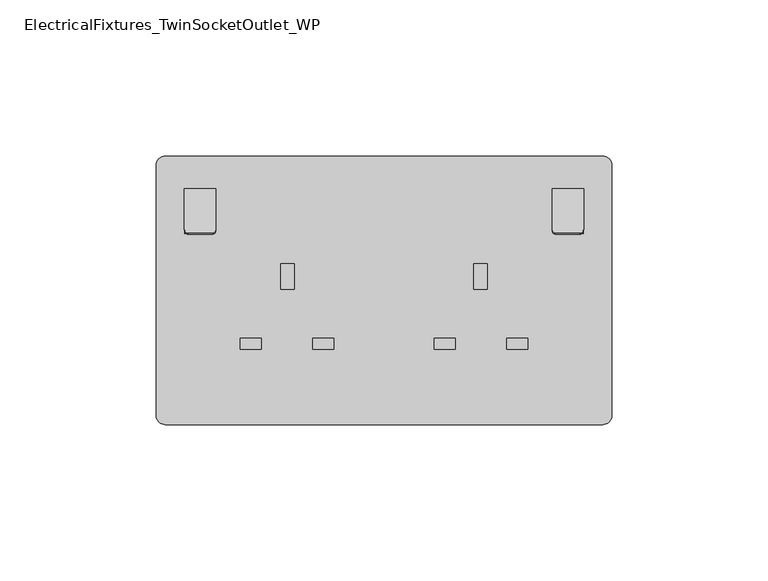
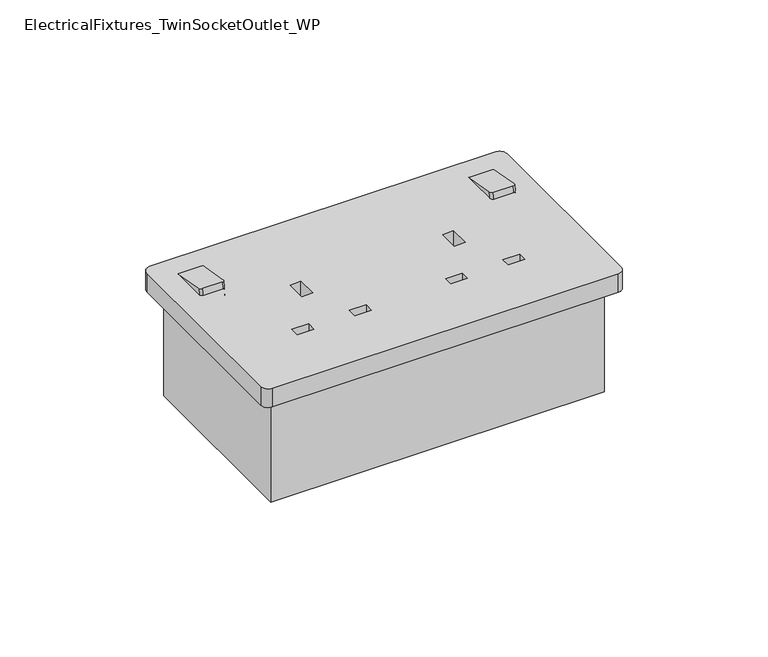
"""IFC4 building model written with IfcOpenShell, lengths in millimetres: proxy geometry, ElectricalFixtures_TwinSocketOutlet_WP."""

from ifc_helpers import new_model, si_unit, point, frame, frame_2d, origin, origin_with_axes, place, context, project, spatial, polyline, circle_curve, trimmed, segment, composite_curve, outline, extrude, source, transform, mapped, element, save


def electricalfixtures_twinsocketoutlet_wp_8770f0a2(model_context):
    return source(origin(), model_context, "Body", "SweptSolid", [
        extrude(outline(composite_curve([segment(polyline([(70.0, -43.0), (-70.0, -43.0)]), True, "CONTINUOUS"), segment(trimmed(circle_curve(frame_2d((-70.0, -40.0)), 3.0), [point((-70.0, -43.0))], [point((-73.0, -40.0))], False, "CARTESIAN"), True, "CONTINUOUS"), segment(polyline([(-73.0, -40.0), (-73.0, 40.0)]), True, "CONTINUOUS"), segment(trimmed(circle_curve(frame_2d((-70.0, 40.0)), 3.0), [point((-73.0, 40.0))], [point((-70.0, 43.0))], False, "CARTESIAN"), True, "CONTINUOUS"), segment(polyline([(-70.0, 43.0), (70.0, 43.0)]), True, "CONTINUOUS"), segment(trimmed(circle_curve(frame_2d((70.0, 40.0)), 3.0), [point((70.0, 43.0))], [point((73.0, 40.0))], False, "CARTESIAN"), True, "CONTINUOUS"), segment(polyline([(73.0, 40.0), (73.0, -40.0)]), True, "CONTINUOUS"), segment(trimmed(circle_curve(frame_2d((70.0, -40.0)), 3.0), [point((73.0, -40.0))], [point((70.0, -43.0))], False, "CARTESIAN"), True, "CONTINUOUS")], self_intersect=False), holes=[polyline([(-28.6936407, 0.4114725), (-28.6936407, 8.5532595), (-33.0686407, 8.5532595), (-33.0686407, 0.4114725), (-28.6936407, 0.4114725)]), polyline([(-39.3272097, -15.3251955), (-46.11833, -15.3251955), (-46.11833, -18.939824), (-39.3272097, -18.939824), (-39.3272097, -15.3251955)]), polyline([(-16.0737547, -15.3251955), (-22.8737547, -15.3251955), (-22.8737547, -18.939824), (-16.0737547, -18.939824), (-16.0737547, -15.3251955)]), polyline([(28.6936407, 8.5532595), (28.6936407, 0.4114725), (33.0686407, 0.4114725), (33.0686407, 8.5532595), (28.6936407, 8.5532595)]), polyline([(46.11833, -15.3251955), (39.3272097, -15.3251955), (39.3272097, -18.939824), (46.11833, -18.939824), (46.11833, -15.3251955)]), polyline([(22.8737547, -15.3251955), (16.0737547, -15.3251955), (16.0737547, -18.939824), (22.8737547, -18.939824), (22.8737547, -15.3251955)])]), origin_with_axes(), (0.0, 0.0, 1.0), 8.0),
        extrude(outline(polyline([(67.5, -37.5), (-67.5, -37.5), (-67.5, 37.5), (67.5, 37.5), (67.5, -37.5)])), frame((0.0, 0.0, -45.0), z_axis=(0.0, 0.0, 1.0), x_axis=(1.0, 0.0, 0.0)), (0.0, 0.0, 1.0), 45.0),
        extrude(outline(composite_curve([segment(polyline([(0.9999999, -1.0), (0.9999999, -9.0)]), True, "CONTINUOUS"), segment(trimmed(circle_curve(frame_2d((0.0, -9.0)), 1.0), [point((0.9999999, -9.0))], [point((0.0, -10.0))], False, "CARTESIAN"), True, "CONTINUOUS"), segment(polyline([(0.0, -10.0), (-16.8695424, -10.0)]), True, "CONTINUOUS"), segment(trimmed(circle_curve(frame_2d((-16.8695424, -9.0)), 1.0), [point((-16.8695424, -10.0))], [point((-17.8695424, -9.0))], False, "CARTESIAN"), True, "CONTINUOUS"), segment(polyline([(-17.8695424, -9.0), (-17.8695424, -1.0)]), True, "CONTINUOUS"), segment(trimmed(circle_curve(frame_2d((-16.8695424, -1.0)), 1.0), [point((-17.8695424, -1.0))], [point((-16.8695424, 0.0))], False, "CARTESIAN"), True, "CONTINUOUS"), segment(polyline([(-16.8695424, 0.0), (0.0, 0.0)]), True, "CONTINUOUS"), segment(trimmed(circle_curve(frame_2d((0.0, -1.0)), 1.0), [point((0.0, 0.0))], [point((0.9999999, -1.0))], False, "CARTESIAN"), True, "CONTINUOUS")], self_intersect=False)), frame((53.9144074, 34.7720205, 1.0127538), z_axis=(0.0, 0.17364817766693016, 0.9848077530122081), x_axis=(0.0, 0.9848077530122081, -0.17364817766693016)), (0.0, 0.0, 1.0), 7.0),
        extrude(outline(composite_curve([segment(trimmed(circle_curve(frame_2d((9.0, -0.9999999)), 1.0), [point((9.0, 0.0))], [point((10.0, -0.9999999))], False, "CARTESIAN"), True, "CONTINUOUS"), segment(polyline([(10.0, -0.9999999), (10.0, -17.8695423)]), True, "CONTINUOUS"), segment(trimmed(circle_curve(frame_2d((9.0, -17.8695423)), 1.0), [point((10.0, -17.8695423))], [point((9.0, -18.8695423))], False, "CARTESIAN"), True, "CONTINUOUS"), segment(polyline([(9.0, -18.8695423), (1.0, -18.8695423)]), True, "CONTINUOUS"), segment(trimmed(circle_curve(frame_2d((1.0, -17.8695423)), 1.0), [point((1.0, -18.8695423))], [point((0.0, -17.8695423))], False, "CARTESIAN"), True, "CONTINUOUS"), segment(polyline([(0.0, -17.8695423), (0.0, -0.9999999)]), True, "CONTINUOUS"), segment(trimmed(circle_curve(frame_2d((1.0, -0.9999999)), 1.0), [point((0.0, -0.9999999))], [point((1.0, 0.0))], False, "CARTESIAN"), True, "CONTINUOUS"), segment(polyline([(1.0, 0.0), (9.0, 0.0)]), True, "CONTINUOUS")], self_intersect=False)), frame((-63.9144074, 35.7568282, 0.8391057), z_axis=(0.0, 0.17364817766693016, 0.9848077530122081), x_axis=(1.0, 0.0, 0.0)), (0.0, 0.0, 1.0), 7.0),
    ])


if __name__ == "__main__":
    model = new_model("IFC4")
    model_context = context("Model", 3, world=origin())
    ifc_project = project(units=[si_unit("LENGTHUNIT", "METRE", prefix="MILLI")], contexts=[model_context])
    site = spatial("IfcSite", under=ifc_project)
    building = spatial("IfcBuilding", under=site)
    placement = place(None, origin())
    electricalfixtures_twinsocketoutlet_wp_shape = electricalfixtures_twinsocketoutlet_wp_8770f0a2(model_context)
    element("IfcBuildingElementProxy", 1, Name="ElectricalFixtures_TwinSocketOutlet_WP", ObjectType="ElectricalFixtures_TwinSocketOutlet_WP", at=placement, inside=building, context=model_context, shape_type="MappedRepresentation", body=[
        mapped(electricalfixtures_twinsocketoutlet_wp_shape, transform((0.0, 0.0, 0.0), x_axis=(1.0, 0.0, 0.0), y_axis=(0.0, 1.0, 0.0), z_axis=(0.0, 0.0, 1.0))),
    ])
    save(model, "model.ifc")
